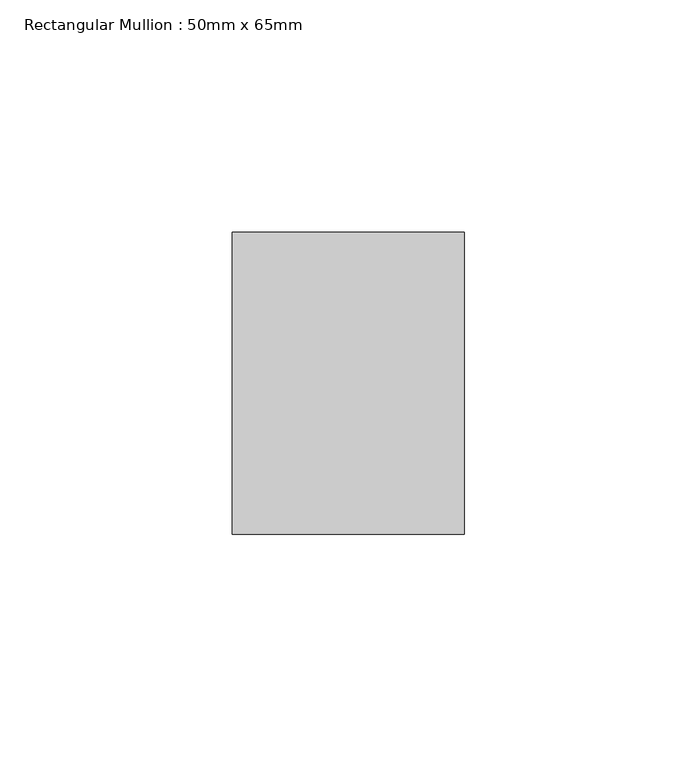
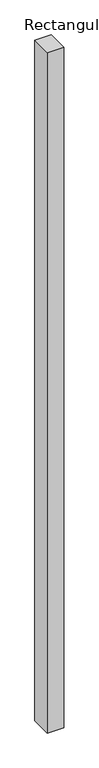
"""IFC4 building model written with IfcOpenShell, lengths in millimetres: member geometry, Rectangular Mullion : 50mm x 65mm."""

from ifc_helpers import new_model, si_unit, frame, origin, place, context, project, spatial, polyline, outline, extrude, source, transform, mapped, element, save


def rectangular_mullion_50mm_x_65mm_1b2dbead(model_context):
    return source(origin(), model_context, "Body", "SweptSolid", [
        extrude(outline(polyline([(25.0, 32.5), (25.0, -32.5), (-25.0, -32.5), (-25.0, 32.5), (25.0, 32.5)])), frame((0.0, 0.0, -2186.9745822), z_axis=(0.0, 0.0, 1.0), x_axis=(1.0, 0.0, 0.0)), (0.0, 0.0, 1.0), 2186.9745822),
    ])


if __name__ == "__main__":
    model = new_model("IFC4")
    model_context = context("Model", 3, world=origin())
    ifc_project = project(units=[si_unit("LENGTHUNIT", "METRE", prefix="MILLI")], contexts=[model_context])
    site = spatial("IfcSite", under=ifc_project)
    building = spatial("IfcBuilding", under=site)
    placement = place(None, origin())
    rectangular_mullion_50mm_x_65mm_shape = rectangular_mullion_50mm_x_65mm_1b2dbead(model_context)
    element("IfcMember", 1, ObjectType="Rectangular Mullion : 50mm x 65mm", at=placement, inside=building, context=model_context, shape_type="MappedRepresentation", body=[
        mapped(rectangular_mullion_50mm_x_65mm_shape, transform((0.0, 0.0, 0.0), x_axis=(1.0, 0.0, 0.0), y_axis=(0.0, 1.0, 0.0), z_axis=(0.0, 0.0, 1.0))),
    ])
    save(model, "model.ifc")
